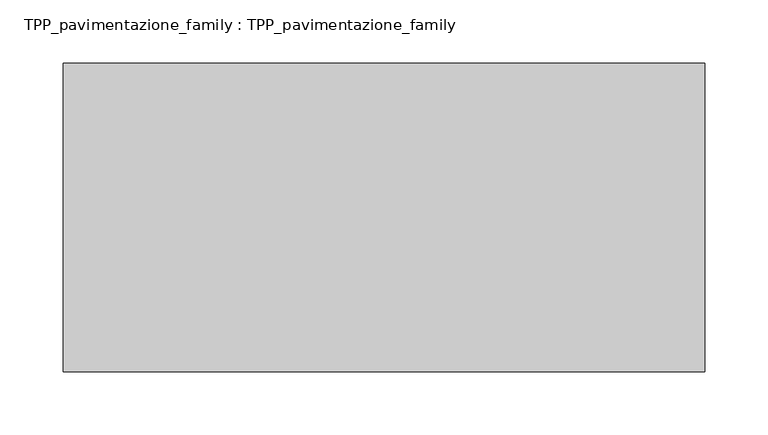
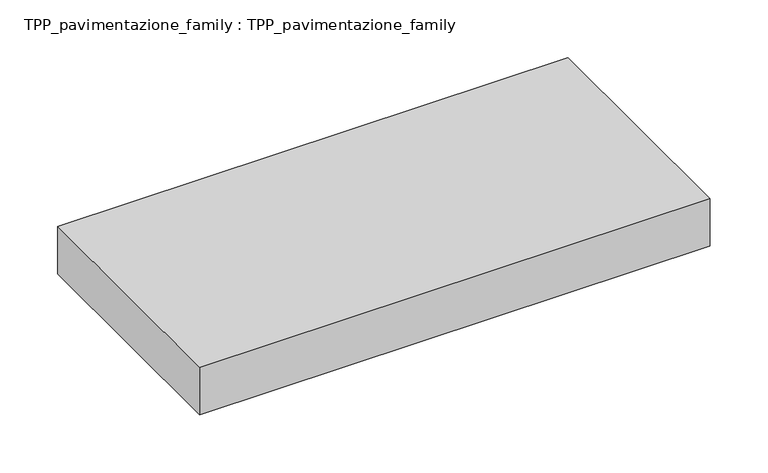
"""IFC4 building model written with IfcOpenShell, lengths in millimetres: proxy geometry, TPP_pavimentazione_family : TPP_pavimentazione_family."""

import ifcopenshell
import ifcopenshell.guid

model = None  # the IFC model being written
_history = None  # IfcOwnerHistory: only IFC2X3 demands one
_inside = {}  # id of a spatial element -> (the spatial element, [elements in it])
_under = {}  # id of a project, library or spatial element -> (it, [spatial elements below it])
_declared = {}  # id of a project -> (the project, [libraries it declares])
_typed = {}  # id of a type object -> (the type object, [elements of that type])
_made_of = {}  # id of a material, layer set ... -> (it, [elements and type objects made of it])


def new_model(schema):
    """Start an empty IFC model of exactly this schema.

    Asked for "IFC4X3", IfcOpenShell would pick the latest addendum, in which some entities
    have other attributes; the version numbers below select the first issue.
    IFC2X3 requires an IfcOwnerHistory on every rooted entity: one is made here for all.
    """
    global model, _history
    if schema == "IFC4X3":
        model = ifcopenshell.file(schema_version=(4, 3, 0, 0))
    else:
        model = ifcopenshell.file(schema=schema)
    _inside.clear()
    _under.clear()
    _declared.clear()
    _typed.clear()
    _made_of.clear()
    _history = None
    if model.schema == "IFC2X3":
        org = make("IfcOrganization", Name="unknown")
        user = make(
            "IfcPersonAndOrganization",
            ThePerson=make("IfcPerson", FamilyName="unknown"),
            TheOrganization=org,
        )
        app = make(
            "IfcApplication",
            ApplicationDeveloper=org,
            Version="unknown",
            ApplicationFullName="unknown",
            ApplicationIdentifier="unknown",
        )
        _history = make(
            "IfcOwnerHistory",
            OwningUser=user,
            OwningApplication=app,
            ChangeAction="ADDED",
            CreationDate=0,
        )
    return model


def make(cls, **values):
    """One entity of the class cls with the attributes given. An attribute that is None is left unset."""
    return model.create_entity(
        cls, **{name: value for name, value in values.items() if value is not None}
    )


def rooted(cls, **values):
    """An entity with a GlobalId (a new one), such as an element, a storey or a relation."""
    return make(cls, GlobalId=ifcopenshell.guid.new(), OwnerHistory=_history, **values)


def si_unit(unit_type, name, prefix=None):
    """IfcSIUnit, for example si_unit("LENGTHUNIT", "METRE", prefix="MILLI")."""
    return make("IfcSIUnit", UnitType=unit_type, Prefix=prefix, Name=name)


def assignment(units):
    """IfcUnitAssignment: the units of a project."""
    return None if units is None else make("IfcUnitAssignment", Units=units)


def point(xyz):
    """IfcCartesianPoint."""
    return None if xyz is None else make("IfcCartesianPoint", Coordinates=xyz)


def direction(xyz):
    """IfcDirection."""
    return None if xyz is None else make("IfcDirection", DirectionRatios=xyz)


def frame(location, z_axis=None, x_axis=None):
    """IfcAxis2Placement3D, a coordinate frame: its origin and axes. An axis left out is left unset."""
    return make(
        "IfcAxis2Placement3D",
        Location=point(location),
        Axis=direction(z_axis),
        RefDirection=direction(x_axis),
    )


def origin():
    """The frame at (0, 0, 0) with its axes left unset."""
    return frame((0.0, 0.0, 0.0))


def origin_with_axes():
    """The frame at (0, 0, 0) with the z axis (0, 0, 1) and the x axis (1, 0, 0) written out."""
    return frame((0.0, 0.0, 0.0), z_axis=(0.0, 0.0, 1.0), x_axis=(1.0, 0.0, 0.0))


def place(relative_to, where):
    """IfcLocalPlacement: puts the frame where relative to a parent placement (None: the world)."""
    return make(
        "IfcLocalPlacement", PlacementRelTo=relative_to, RelativePlacement=where
    )


def context(
    kind, dimensions, precision=None, world=None, true_north=None, identifier=None
):
    """IfcGeometricRepresentationContext, for example the 3D "Model" context."""
    return make(
        "IfcGeometricRepresentationContext",
        ContextIdentifier=identifier,
        ContextType=kind,
        CoordinateSpaceDimension=dimensions,
        Precision=precision,
        WorldCoordinateSystem=world,
        TrueNorth=true_north,
    )


def project(units=None, contexts=None):
    """IfcProject with its units and contexts."""
    return rooted(
        "IfcProject",
        Name="project",
        RepresentationContexts=contexts,
        UnitsInContext=assignment(units),
    )


def spatial(cls, under=None, at=None, **own):
    """A site, building, storey or space (cls), placed at a placement, below another one or the project."""
    s = rooted(cls, ObjectPlacement=at, **own)
    if under is not None:
        _under.setdefault(under.id(), (under, []))[1].append(s)
    return s


def polyline(points):
    """IfcPolyline through the points."""
    return make("IfcPolyline", Points=[point(p) for p in points])


def outline(outer, holes=None, kind="AREA"):
    """IfcArbitraryClosedProfileDef: a profile drawn as a closed curve; with holes, ...WithVoids."""
    if holes is None:
        return make("IfcArbitraryClosedProfileDef", ProfileType=kind, OuterCurve=outer)
    return make(
        "IfcArbitraryProfileDefWithVoids",
        ProfileType=kind,
        OuterCurve=outer,
        InnerCurves=holes,
    )


def extrude(swept, where, along, depth):
    """IfcExtrudedAreaSolid: the profile swept, set in the frame where, extruded along a direction by depth."""
    return make(
        "IfcExtrudedAreaSolid",
        SweptArea=swept,
        Position=where,
        ExtrudedDirection=direction(along),
        Depth=depth,
    )


def shape(context_of_items, identifier, shape_type, items):
    """IfcShapeRepresentation: the items that make up one representation, for example the "Body"."""
    return make(
        "IfcShapeRepresentation",
        ContextOfItems=context_of_items,
        RepresentationIdentifier=identifier,
        RepresentationType=shape_type,
        Items=items,
    )


def source(mapping_origin, context_of_items, identifier, shape_type, items):
    """IfcRepresentationMap: a shape defined once, which mapped items show again and again."""
    return make(
        "IfcRepresentationMap",
        MappingOrigin=mapping_origin,
        MappedRepresentation=shape(context_of_items, identifier, shape_type, items),
    )


def transform(
    local_origin,
    x_axis=None,
    y_axis=None,
    z_axis=None,
    scale=None,
    scale2=None,
    scale3=None,
    uniform=True,
):
    """IfcCartesianTransformationOperator3D, or its non-uniform kind. x_axis, y_axis, z_axis: its Axis1, 2, 3."""
    if uniform:
        return make(
            "IfcCartesianTransformationOperator3D",
            Axis1=direction(x_axis),
            Axis2=direction(y_axis),
            LocalOrigin=point(local_origin),
            Scale=scale,
            Axis3=direction(z_axis),
        )
    return make(
        "IfcCartesianTransformationOperator3DnonUniform",
        Axis1=direction(x_axis),
        Axis2=direction(y_axis),
        LocalOrigin=point(local_origin),
        Scale=scale,
        Axis3=direction(z_axis),
        Scale2=scale2,
        Scale3=scale3,
    )


def mapped(mapping_source, mapping_target):
    """IfcMappedItem: shows the shape of a source again, moved by a transform."""
    return make(
        "IfcMappedItem", MappingSource=mapping_source, MappingTarget=mapping_target
    )


def made_of(thing, what):
    """Note that an element or type object is made of a material, layer set ...; save() writes the relation."""
    if what is not None:
        _made_of.setdefault(what.id(), (what, []))[1].append(thing)
    return thing


def element(
    cls,
    number,
    at=None,
    inside=None,
    cuts=None,
    type_object=None,
    material=None,
    context=None,
    identifier="Body",
    shape_type=None,
    held_by="IfcProductDefinitionShape",
    body=None,
    shapes=None,
    **own,
):
    """One element of the class cls, such as IfcWall. Its Tag is "e" and its number.

    at: its placement. inside: the storey or other place that contains it. cuts: it is an
    opening in that element (IfcRelVoidsElement). A single representation is given by context,
    identifier, shape_type and body (its items); several are given by shapes. held_by: the class
    of the entity that holds the representations. save() writes the other relations.
    """
    e = rooted(cls, Tag="e%d" % number, ObjectPlacement=at, **own)
    if body is not None:
        shapes = [shape(context, identifier, shape_type, body)]
    if shapes is not None:
        e.Representation = make(held_by, Representations=shapes)
    if inside is not None:
        _inside.setdefault(inside.id(), (inside, []))[1].append(e)
    if cuts is not None:
        rooted(
            "IfcRelVoidsElement", RelatingBuildingElement=cuts, RelatedOpeningElement=e
        )
    if type_object is not None:
        _typed.setdefault(type_object.id(), (type_object, []))[1].append(e)
    return made_of(e, material)


def aggregate(whole, parts):
    """IfcRelAggregates: a whole, such as a stair, and the parts it consists of."""
    return rooted("IfcRelAggregates", RelatingObject=whole, RelatedObjects=parts)


def save(model, path):
    """Write the relations noted so far, then the file.

    IfcRelAggregates (storeys below a building ...), IfcRelContainedInSpatialStructure (elements
    in a storey), IfcRelDefinesByType, IfcRelAssociatesMaterial and IfcRelDeclares: one each for
    every whole, place, type object, material and project.
    """
    for whole, parts in _under.values():
        aggregate(whole, parts)
    for where, things in _inside.values():
        rooted(
            "IfcRelContainedInSpatialStructure",
            RelatedElements=things,
            RelatingStructure=where,
        )
    for kind, things in _typed.values():
        rooted("IfcRelDefinesByType", RelatedObjects=things, RelatingType=kind)
    for what, things in _made_of.values():
        rooted("IfcRelAssociatesMaterial", RelatedObjects=things, RelatingMaterial=what)
    for by, libraries in _declared.values():
        rooted("IfcRelDeclares", RelatingContext=by, RelatedDefinitions=libraries)
    model.write(path)


def tpp_pavimentazione_family_tpp_pavimentazione_family_8d860fe5(model_context):
    return source(origin(), model_context, "Body", "SweptSolid", [
        extrude(outline(polyline([(511.8146187, 354.2201026), (511.8146187, 109.7724103), (3.1690915, 109.7724103), (3.1690915, 354.2201026), (511.8146187, 354.2201026)])), origin_with_axes(), (0.0, 0.0, 1.0), 50.0),
    ])


if __name__ == "__main__":
    model = new_model("IFC4")
    model_context = context("Model", 3, world=origin())
    ifc_project = project(units=[si_unit("LENGTHUNIT", "METRE", prefix="MILLI")], contexts=[model_context])
    site = spatial("IfcSite", under=ifc_project)
    building = spatial("IfcBuilding", under=site)
    placement = place(None, origin())
    tpp_pavimentazione_family_tpp_pavimentazione_family_shape = tpp_pavimentazione_family_tpp_pavimentazione_family_8d860fe5(model_context)
    element("IfcBuildingElementProxy", 1, Name="TPP_pavimentazione_family : TPP_pavimentazione_family", ObjectType="TPP_pavimentazione_family : TPP_pavimentazione_family", at=placement, inside=building, context=model_context, shape_type="MappedRepresentation", body=[
        mapped(tpp_pavimentazione_family_tpp_pavimentazione_family_shape, transform((0.0, 0.0, 0.0), x_axis=(1.0, 0.0, 0.0), y_axis=(0.0, 1.0, 0.0), z_axis=(0.0, 0.0, 1.0))),
    ])
    save(model, "model.ifc")
